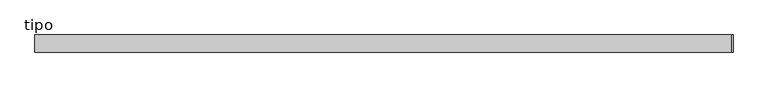
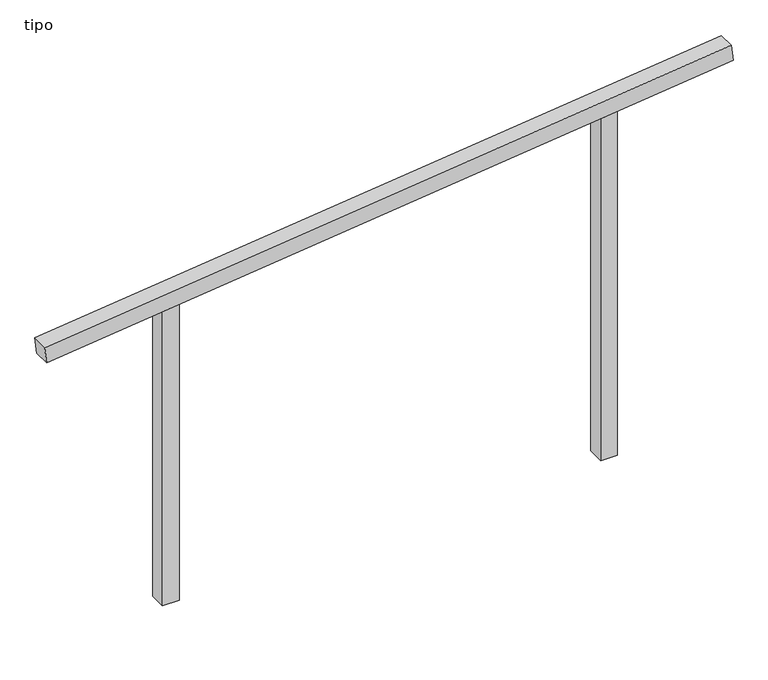
"""IFC4 building model written with IfcOpenShell, lengths in millimetres: proxy geometry, tipo."""

from ifc_helpers import new_model, si_unit, frame, origin, place, context, project, spatial, polyline, outline, extrude, source, transform, mapped, element, save


def tipo_2f8308cd(model_context):
    return source(origin(), model_context, "Body", "SweptSolid", [
        extrude(outline(polyline([(0.0, -4100.0000001), (0.0, 0.0), (100.0, 0.0), (100.0, -4100.0000001), (0.0, -4100.0000001)])), frame((-2036.4789265, -100.0, 1764.9391949), z_axis=(-0.114663807345642, 0.0, 0.9934043543718748), x_axis=(0.0, 1.0, 0.0)), (0.0, 0.0, 1.0), 100.0),
        extrude(outline(polyline([(2155.8238991, 1350.0), (2144.2813881, 1250.0), (0.0, 1250.0), (0.0, 1350.0), (2155.8238991, 1350.0)])), frame((0.0, -100.0, 0.0), z_axis=(0.0, 1.0, 0.0), x_axis=(0.0, 0.0, 1.0)), (0.0, 0.0, 1.0), 100.0),
        extrude(outline(polyline([(1844.1761009, -1350.0), (0.0, -1350.0), (0.0, -1250.0), (1855.7186119, -1250.0), (1844.1761009, -1350.0)])), frame((0.0, -100.0, 0.0), z_axis=(0.0, 1.0, 0.0), x_axis=(0.0, 0.0, 1.0)), (0.0, 0.0, 1.0), 100.0),
    ])


if __name__ == "__main__":
    model = new_model("IFC4")
    model_context = context("Model", 3, world=origin())
    ifc_project = project(units=[si_unit("LENGTHUNIT", "METRE", prefix="MILLI")], contexts=[model_context])
    site = spatial("IfcSite", under=ifc_project)
    building = spatial("IfcBuilding", under=site)
    placement = place(None, origin())
    tipo_shape = tipo_2f8308cd(model_context)
    element("IfcBuildingElementProxy", 1, Name="tipo", ObjectType="tipo", at=placement, inside=building, context=model_context, shape_type="MappedRepresentation", body=[
        mapped(tipo_shape, transform((0.0, 0.0, 0.0), x_axis=(1.0, 0.0, 0.0), y_axis=(0.0, 1.0, 0.0), z_axis=(0.0, 0.0, 1.0))),
    ])
    save(model, "model.ifc")
